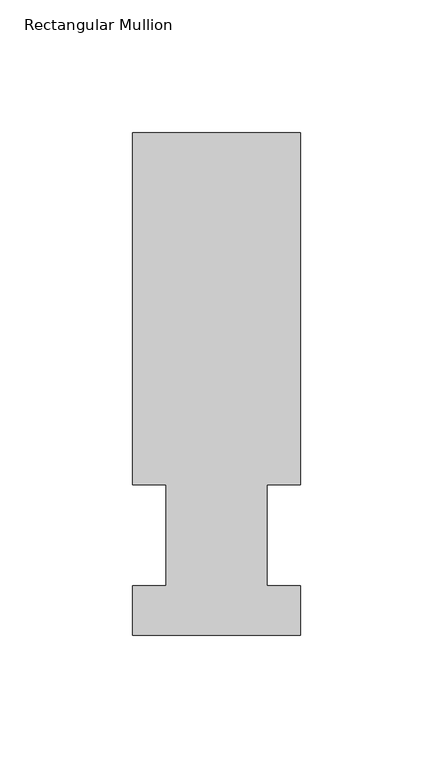
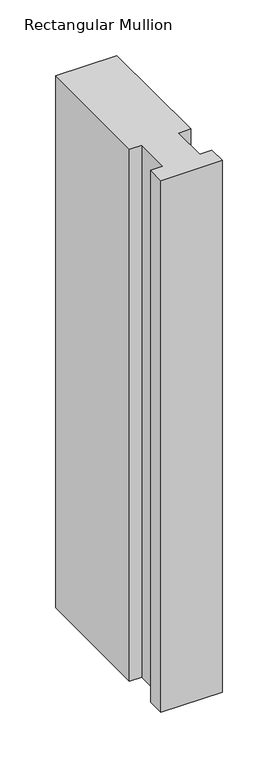
"""IFC4 building model written with IfcOpenShell, lengths in millimetres: member geometry, Rectangular Mullion."""

from ifc_helpers import new_model, si_unit, frame, origin, place, context, project, spatial, polyline, outline, extrude, source, transform, mapped, element, save


def rectangular_mullion_e420ea96(model_context):
    return source(origin(), model_context, "Body", "SweptSolid", [
        extrude(outline(polyline([(31.75, 151.9936), (31.75, 19.05), (19.0499746, 19.05), (19.0499746, -19.05), (31.75, -19.05), (31.75, -37.6936), (-31.75, -37.6936), (-31.75, -19.05), (-19.05, -19.05), (-19.05, 19.05), (-31.75, 19.05), (-31.75, 151.9936), (31.75, 151.9936)])), frame((0.0, 0.0, -584.1651236), z_axis=(0.0, 0.0, 1.0), x_axis=(1.0, 0.0, 0.0)), (0.0, 0.0, 1.0), 584.1651236),
    ])


if __name__ == "__main__":
    model = new_model("IFC4")
    model_context = context("Model", 3, world=origin())
    ifc_project = project(units=[si_unit("LENGTHUNIT", "METRE", prefix="MILLI")], contexts=[model_context])
    site = spatial("IfcSite", under=ifc_project)
    building = spatial("IfcBuilding", under=site)
    placement = place(None, origin())
    rectangular_mullion_shape = rectangular_mullion_e420ea96(model_context)
    element("IfcMember", 1, ObjectType="Rectangular Mullion", at=placement, inside=building, context=model_context, shape_type="MappedRepresentation", body=[
        mapped(rectangular_mullion_shape, transform((0.0, 0.0, 0.0), x_axis=(1.0, 0.0, 0.0), y_axis=(0.0, 1.0, 0.0), z_axis=(0.0, 0.0, 1.0))),
    ])
    save(model, "model.ifc")
